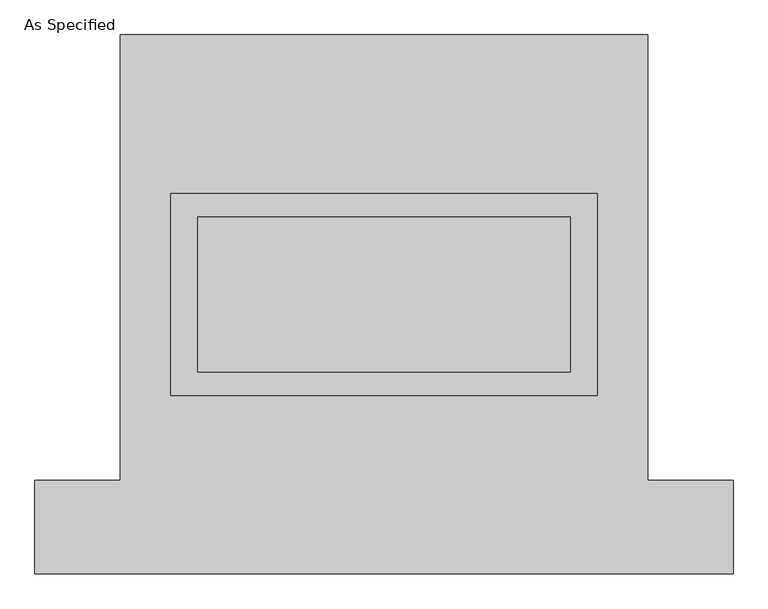
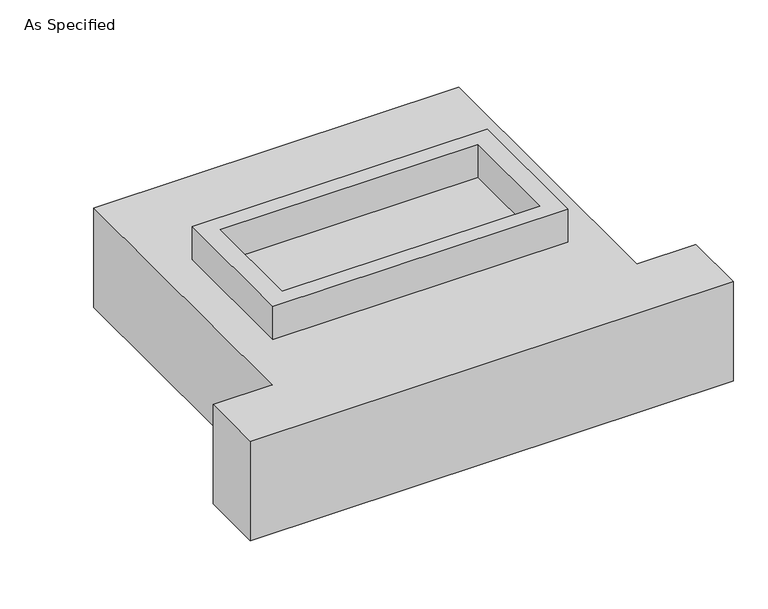
"""IFC4 building model written with IfcOpenShell, lengths in millimetres: proxy geometry, As Specified."""

from ifc_helpers import new_model, si_unit, frame, origin, place, context, project, spatial, polyline, outline, extrude, source, transform, mapped, element, save


def as_specified_82eaf491(model_context):
    return source(origin(), model_context, "Body", "SweptSolid", [
        extrude(outline(polyline([(698.5, 361.95), (698.5, -298.45), (-698.5, -298.45), (-698.5, 361.95), (698.5, 361.95)]), holes=[polyline([(609.6, 285.75), (-609.6, 285.75), (-609.6, -222.25), (609.6, -222.25), (609.6, 285.75)])]), frame((0.0, 0.0, -688.975), z_axis=(0.0, 0.0, 1.0), x_axis=(1.0, 0.0, 0.0)), (0.0, 0.0, 1.0), 165.1),
        extrude(outline(polyline([(698.5, 361.95), (698.5, -298.45), (-698.5, -298.45), (-698.5, 361.95), (698.5, 361.95)]), holes=[polyline([(609.6, 285.75), (-609.6, 285.75), (-609.6, -222.25), (609.6, -222.25), (609.6, 285.75)])]), frame((0.0, 0.0, -25.4), z_axis=(0.0, 0.0, 1.0), x_axis=(1.0, 0.0, 0.0)), (0.0, 0.0, 1.0), 165.1),
        extrude(outline(polyline([(609.6, 285.75), (609.6, -222.25), (-609.6, -222.25), (-609.6, 285.75), (609.6, 285.75)])), frame((0.0, 0.0, -523.875), z_axis=(0.0, 0.0, 1.0), x_axis=(1.0, 0.0, 0.0)), (0.0, 0.0, 1.0), 4.9609375),
        extrude(outline(polyline([(609.6, 285.75), (609.6, -222.25), (-609.6, -222.25), (-609.6, 285.75), (609.6, 285.75)])), frame((0.0, 0.0, -30.3609375), z_axis=(0.0, 0.0, 1.0), x_axis=(1.0, 0.0, 0.0)), (0.0, 0.0, 1.0), 4.9609375),
        extrude(outline(polyline([(-863.6, 882.65), (863.6, 882.65), (863.6, -577.85), (1143.0, -577.85), (1143.0, -882.65), (-1143.0, -882.65), (-1143.0, -577.85), (-863.6, -577.85), (-863.6, 882.65)]), holes=[polyline([(-698.5, 361.95), (-698.5, -298.45), (698.5, -298.45), (698.5, 361.95), (-698.5, 361.95)])]), frame((0.0, 0.0, -523.875), z_axis=(0.0, 0.0, 1.0), x_axis=(1.0, 0.0, 0.0)), (0.0, 0.0, 1.0), 498.475),
    ])


if __name__ == "__main__":
    model = new_model("IFC4")
    model_context = context("Model", 3, world=origin())
    ifc_project = project(units=[si_unit("LENGTHUNIT", "METRE", prefix="MILLI")], contexts=[model_context])
    site = spatial("IfcSite", under=ifc_project)
    building = spatial("IfcBuilding", under=site)
    placement = place(None, origin())
    as_specified_shape = as_specified_82eaf491(model_context)
    element("IfcBuildingElementProxy", 1, Name="As Specified", ObjectType="As Specified", at=placement, inside=building, context=model_context, shape_type="MappedRepresentation", body=[
        mapped(as_specified_shape, transform((0.0, 0.0, 0.0), x_axis=(1.0, 0.0, 0.0), y_axis=(0.0, 1.0, 0.0), z_axis=(0.0, 0.0, 1.0))),
    ])
    save(model, "model.ifc")
